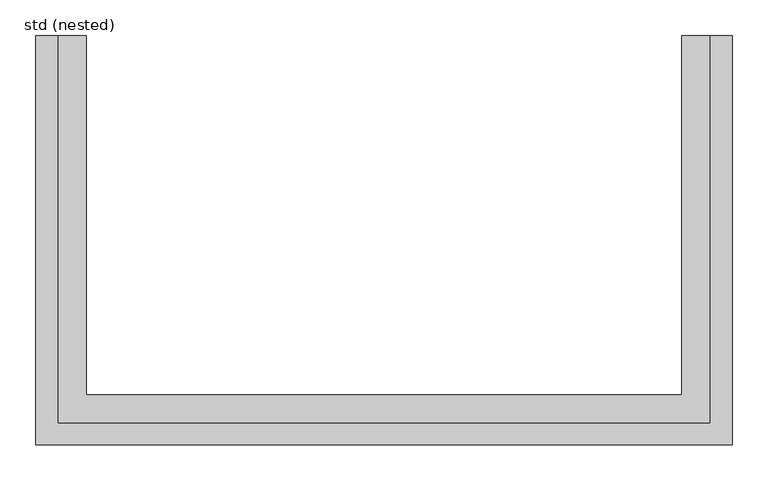
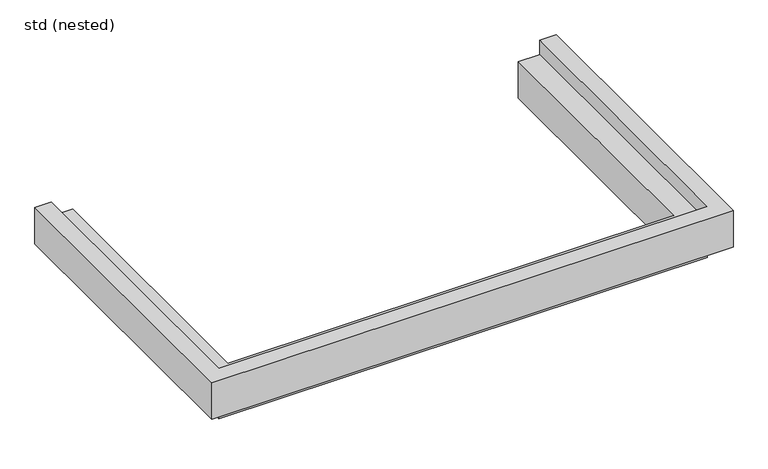
"""IFC4 building model written with IfcOpenShell, lengths in millimetres: proxy geometry, std (nested)."""

from ifc_helpers import new_model, si_unit, origin, place, context, project, spatial, faceted_brep, source, transform, mapped, element, save


def std_nested_4df0f224(model_context):
    return source(origin(), model_context, "Body", "Brep", [
        faceted_brep([(-484.5, 0.0, 100.0), (-454.0, 0.0, 100.0), (-454.0, 0.0, 72.0), (-414.5, 0.0, 72.0), (-414.5, 0.0, 0.0), (-454.0, 0.0, 0.0), (-454.0, 0.0, 28.0), (-484.5, 0.0, 28.0), (-484.5, -570.0, 100.0), (484.5, -570.0, 100.0), (484.5, 0.0, 100.0), (454.0, 0.0, 100.0), (454.0, -539.5, 100.0), (-454.0, -539.5, 100.0), (-454.0, -539.5, 72.0), (454.0, -539.5, 72.0), (454.0, 0.0, 72.0), (414.5, 0.0, 72.0), (414.5, -500.0, 72.0), (-414.5, -500.0, 72.0), (-414.5, -500.0, 0.0), (-484.5, -570.0, 28.0), (414.5, -500.0, 0.0), (484.5, -570.0, 28.0), (484.5, 0.0, 28.0), (454.0, 0.0, 28.0), (454.0, 0.0, 0.0), (414.5, 0.0, 0.0), (454.0, -539.5, 0.0), (-454.0, -539.5, 0.0), (-454.0, -539.5, 28.0), (454.0, -539.5, 28.0)], [[[0, 1, 2, 3, 4, 5, 6, 7]], [[1, 0, 8, 9, 10, 11, 12, 13]], [[2, 1, 13, 14]], [[3, 2, 14, 15, 16, 17, 18, 19]], [[4, 3, 19, 20]], [[0, 7, 21, 8]], [[14, 13, 12, 15]], [[20, 19, 18, 22]], [[8, 21, 23, 9]], [[10, 24, 25, 26, 27, 17, 16, 11]], [[15, 12, 11, 16]], [[22, 18, 17, 27]], [[9, 23, 24, 10]], [[5, 4, 20, 22, 27, 26, 28, 29]], [[6, 5, 29, 30]], [[7, 6, 30, 31, 25, 24, 23, 21]], [[30, 29, 28, 31]], [[31, 28, 26, 25]]]),
    ])


if __name__ == "__main__":
    model = new_model("IFC4")
    model_context = context("Model", 3, world=origin())
    ifc_project = project(units=[si_unit("LENGTHUNIT", "METRE", prefix="MILLI")], contexts=[model_context])
    site = spatial("IfcSite", under=ifc_project)
    building = spatial("IfcBuilding", under=site)
    placement = place(None, origin())
    std_nested_shape = std_nested_4df0f224(model_context)
    element("IfcBuildingElementProxy", 1, Name="std (nested)", ObjectType="std (nested)", at=placement, inside=building, context=model_context, shape_type="MappedRepresentation", body=[
        mapped(std_nested_shape, transform((0.0, 0.0, 0.0), x_axis=(1.0, 0.0, 0.0), y_axis=(0.0, 1.0, 0.0), z_axis=(0.0, 0.0, 1.0))),
    ])
    save(model, "model.ifc")
